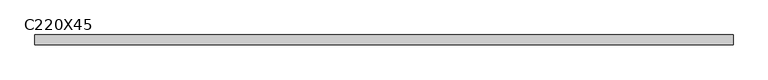
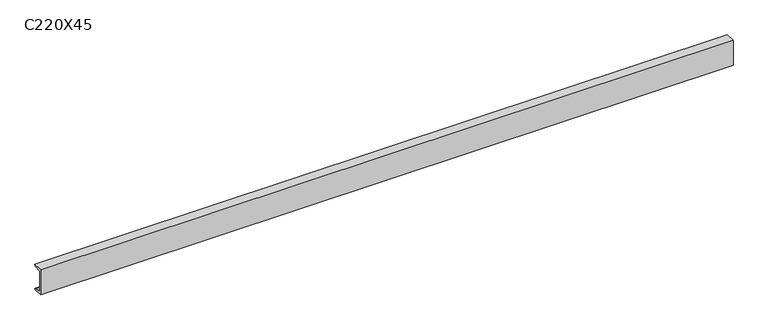
"""IFC4 building model written with IfcOpenShell, lengths in millimetres: beam geometry, C220X45."""

from ifc_helpers import new_model, si_unit, point, frame, frame_2d, origin, place, context, project, spatial, polyline, circle_curve, trimmed, segment, composite_curve, outline, extrude, source, transform, mapped, element, save


def c220x45_e1ff967d(model_context):
    return source(origin(), model_context, "Body", "SweptSolid", [
        extrude(outline(composite_curve([segment(polyline([(-17.0, 110.0), (64.0, 110.0)]), True, "CONTINUOUS"), segment(trimmed(circle_curve(frame_2d((51.0, 110.0)), 13.0), [point((64.0, 110.0))], [point((51.0, 97.0))], False, "CARTESIAN"), True, "CONTINUOUS"), segment(polyline([(51.0, 97.0), (-4.0, 88.2888558), (-4.0, -88.2888558), (51.0, -97.0)]), True, "CONTINUOUS"), segment(trimmed(circle_curve(frame_2d((51.0, -110.0)), 13.0), [point((51.0, -97.0))], [point((64.0, -110.0))], False, "CARTESIAN"), True, "CONTINUOUS"), segment(polyline([(64.0, -110.0), (-17.0, -110.0), (-17.0, 110.0)]), True, "CONTINUOUS")], self_intersect=False)), frame((-2923.749667, 0.0, 0.0), z_axis=(1.0, 0.0, 0.0), x_axis=(0.0, 1.0, 0.0)), (0.0, 0.0, 1.0), 5780.249667),
    ])


if __name__ == "__main__":
    model = new_model("IFC4")
    model_context = context("Model", 3, world=origin())
    ifc_project = project(units=[si_unit("LENGTHUNIT", "METRE", prefix="MILLI")], contexts=[model_context])
    site = spatial("IfcSite", under=ifc_project)
    building = spatial("IfcBuilding", under=site)
    placement = place(None, origin())
    c220x45_shape = c220x45_e1ff967d(model_context)
    element("IfcBeam", 1, ObjectType="C220X45", at=placement, inside=building, context=model_context, shape_type="MappedRepresentation", body=[
        mapped(c220x45_shape, transform((0.0, 0.0, 0.0), x_axis=(1.0, 0.0, 0.0), y_axis=(0.0, 1.0, 0.0), z_axis=(0.0, 0.0, 1.0))),
    ])
    save(model, "model.ifc")
